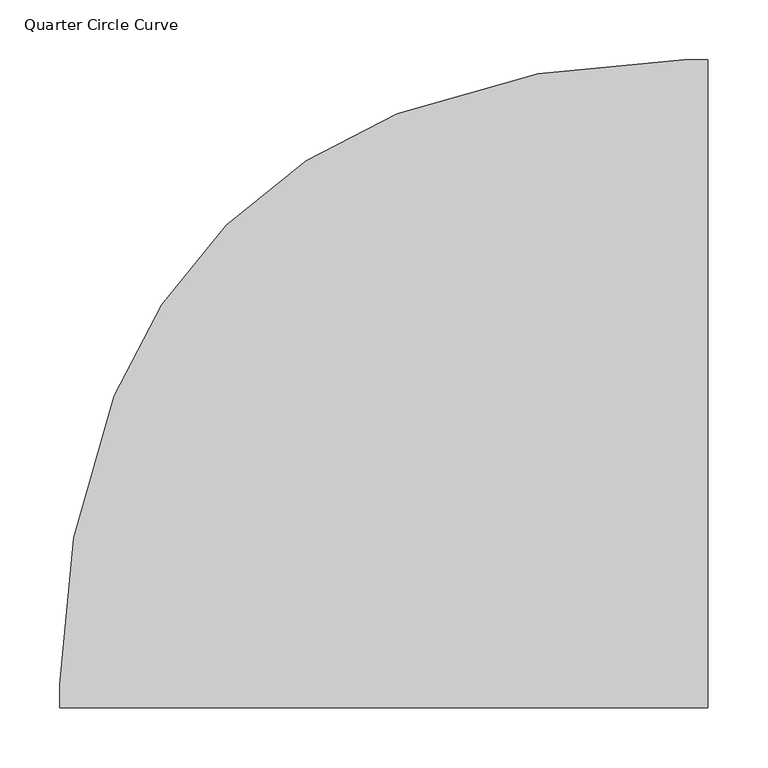
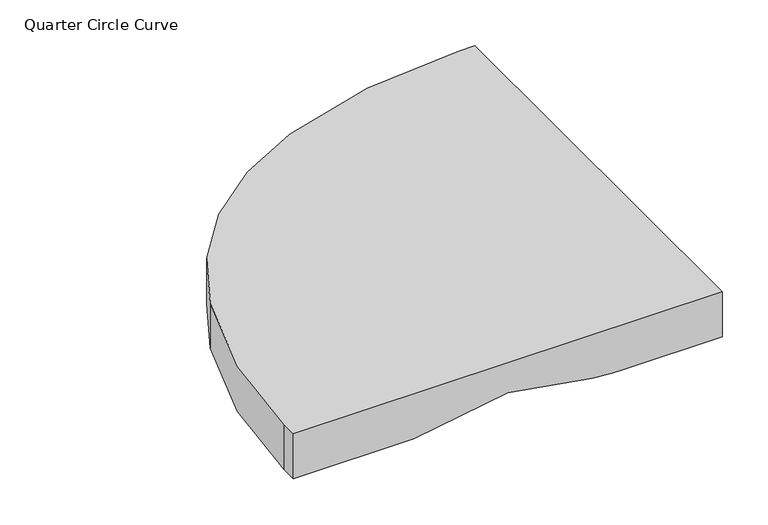
"""IFC4 building model written with IfcOpenShell, lengths in millimetres: furniture geometry, Quarter Circle Curve."""

from ifc_helpers import new_model, si_unit, point, frame, origin, place, context, project, spatial, polyline, circle_curve, ellipse_curve, trimmed, source, transform, mapped, element, save
from ifc_brep_helpers import plane_surface, cylinder_surface, revolved_surface, advanced_brep


def quarter_circle_curve_f693d01b(model_context):
    return source(origin(), model_context, "Body", "AdvancedBrep", [
        advanced_brep(
        [(270.0, 270.0, 2100.0), (250.1129966, 270.0, 2100.0), (250.1129966, 270.0, 2160.0), (270.0, 270.0, 2160.0), (270.0, -270.0, 2160.0), (-270.0, -270.0, 2160.0), (-270.0, -270.0, 2100.0), (-118.5203808, -270.0, 2100.0), (0.0, -270.0, 2120.0), (106.1283636, -270.0, 2102.09112), (131.0875949, -270.0, 2100.0), (145.0, -270.0, 2100.0), (270.0, -270.0, 2100.0), (11.197914, 225.2369203, 2160.0), (-224.6331882, -10.0009155, 2160.0), (-270.0, -250.4648146, 2160.0), (-270.0, -250.4648146, 2100.0), (131.0875949, -225.0, 2100.0), (225.0, -131.0875949, 2100.0), (270.0, -131.0875949, 2100.0), (270.0, -145.0, 2100.0), (270.0, 118.5203808, 2100.0), (225.0, 118.5203808, 2100.0), (-118.5203808, -225.0, 2100.0), (-224.6331882, -10.0009155, 2100.0), (11.197914, 225.2369203, 2100.0), (270.0, -106.1283636, 2102.09112), (270.0, 0.0, 2120.0), (0.0, -225.0, 2120.0), (106.1283636, -225.0, 2102.09112), (225.0, 0.0, 2120.0), (225.0, -106.1283636, 2102.09112)],
        [
            (0, 1),
            (1, 2),
            (2, 3),
            (3, 0),
            (4, 5),
            (5, 6),
            (6, 7),
            (7, 8),
            (8, 9),
            (9, 10, circle_curve(frame((131.0875949, -270.0, 2250.0), z_axis=(0.0, -1.0, 0.0), x_axis=(1.0, 0.0, 0.0)), 150.0)),
            (10, 11),
            (11, 12),
            (12, 4),
            (4, 3),
            (2, 13, circle_curve(frame((250.1129966, -389.9652032, 2160.0), z_axis=(0.0, 0.0, 1.0), x_axis=(1.0, 0.0, 0.0)), 659.9652032)),
            (13, 14, circle_curve(frame((161.1742529, -160.9495071, 2160.0), z_axis=(0.0, 0.0, 1.0), x_axis=(1.0, 0.0, 0.0)), 414.2859628)),
            (14, 15, circle_curve(frame((389.9652032, -250.4648146, 2160.0), z_axis=(0.0, 0.0, 1.0), x_axis=(1.0, 0.0, 0.0)), 659.9652032)),
            (15, 5),
            (15, 16),
            (16, 6),
            (10, 17),
            (17, 18, circle_curve(frame((225.0, -225.0, 2100.0), z_axis=(0.0, 0.0, -1.0), x_axis=(-1.0, 0.0, 0.0)), 93.9124051)),
            (18, 19),
            (19, 20),
            (20, 12),
            (0, 21),
            (21, 22),
            (22, 23, circle_curve(frame((225.0, -225.0, 2100.0), z_axis=(0.0, 0.0, 1.0), x_axis=(-1.0, 0.0, 0.0)), 343.5203808)),
            (23, 7),
            (16, 24, circle_curve(frame((389.9652032, -250.4648146, 2100.0), z_axis=(0.0, 0.0, -1.0), x_axis=(1.0, 0.0, 0.0)), 659.9652032)),
            (24, 25, circle_curve(frame((161.1742529, -160.9495071, 2100.0), z_axis=(0.0, 0.0, -1.0), x_axis=(1.0, 0.0, 0.0)), 414.2859628)),
            (25, 1, circle_curve(frame((250.1129966, -389.9652032, 2100.0), z_axis=(0.0, 0.0, -1.0), x_axis=(1.0, 0.0, 0.0)), 659.9652032)),
            (19, 26, circle_curve(frame((270.0, -131.0875949, 2250.0), z_axis=(1.0, 0.0, 0.0), x_axis=(0.0, -1.0, 0.0)), 150.0)),
            (26, 27),
            (27, 21),
            (25, 13),
            (24, 14),
            (8, 28),
            (28, 29),
            (29, 9),
            (29, 17, circle_curve(frame((131.0875949, -225.0, 2250.0), z_axis=(0.0, -1.0, 0.0), x_axis=(1.0, 0.0, 0.0)), 150.0)),
            (23, 28),
            (28, 30, circle_curve(frame((225.0, -225.0, 2120.0), z_axis=(0.0, 0.0, -1.0), x_axis=(-1.0, 0.0, 0.0)), 225.0)),
            (30, 31),
            (31, 29, circle_curve(frame((225.0, -225.0, 2102.09112), z_axis=(0.0, 0.0, 1.0), x_axis=(-1.0, 0.0, 0.0)), 118.8716364)),
            (31, 18, circle_curve(frame((225.0, -131.0875949, 2250.0), z_axis=(-1.0, 0.0, 0.0), x_axis=(0.0, -1.0, 0.0)), 150.0)),
            (22, 30),
            (30, 27),
            (26, 31),
        ],
        [
            plane_surface(frame((-270.0, 270.0, 2160.0), z_axis=(0.0, 1.0, 0.0), x_axis=(-1.0, 0.0, 0.0))),
            plane_surface(frame((-270.0, -270.0, 2160.0), z_axis=(0.0, -1.0, 0.0), x_axis=(1.0, 0.0, 0.0))),
            plane_surface(frame((270.0, 270.0, 2160.0), z_axis=(0.0, 0.0, 1.0), x_axis=(0.0, -1.0, 0.0))),
            plane_surface(frame((-270.0, 270.0, 2160.0), z_axis=(-1.0, 0.0, 0.0), x_axis=(0.0, -1.0, 0.0))),
            plane_surface(frame((-270.0, 270.0, 2100.0), z_axis=(0.0, 0.0, -1.0), x_axis=(0.0, -1.0, 0.0))),
            plane_surface(frame((270.0, 270.0, 2100.0), z_axis=(1.0, 0.0, 0.0), x_axis=(0.0, -1.0, 0.0))),
            cylinder_surface(frame((250.1129966, -389.9652032, 2100.0), z_axis=(0.0, 0.0, -1.0), x_axis=(1.0, 0.0, 0.0)), 659.9652032),
            cylinder_surface(frame((161.1742529, -160.9495071, 2100.0), z_axis=(0.0, 0.0, -1.0), x_axis=(1.0, 0.0, 0.0)), 414.2859628),
            cylinder_surface(frame((389.9652032, -250.4648146, 2100.0), z_axis=(0.0, 0.0, -1.0), x_axis=(1.0, 0.0, 0.0)), 659.9652032),
            plane_surface(frame((0.0, -270.0, 2120.0), z_axis=(-0.16639487545031093, 0.0, -0.9860591997562193), x_axis=(0.0, 1.0, 0.0))),
            cylinder_surface(frame((131.0875949, -270.0, 2250.0), z_axis=(0.0, 1.0, 0.0), x_axis=(1.0, 0.0, 0.0)), 150.0),
            plane_surface(frame((-120.0, -270.0, 2099.7503182), z_axis=(0.16639487545033715, 0.0, -0.9860591997562149), x_axis=(0.0, 1.0, 0.0))),
            revolved_surface(polyline([(106.1283636, -225.0, 2102.09112), (0.0, -225.0, 2120.0)]), (225.0, -225.0, 0.0), (0.0, 0.0, 1.0)),
            revolved_surface(trimmed(ellipse_curve(frame((131.0875949, -225.0, 2250.0), z_axis=(0.0, 1.0, 0.0), x_axis=(1.0, 0.0, 0.0)), 150.0, 150.0), [point((131.0875949, -225.0, 2100.0))], [point((106.1283636, -225.0, 2102.09112))], True, "CARTESIAN"), (225.0, -225.0, 0.0), (0.0, 0.0, 1.0)),
            revolved_surface(polyline([(0.0, -225.0, 2120.0), (-120.0, -225.0, 2099.7503182)]), (225.0, -225.0, 0.0), (0.0, 0.0, 1.0)),
            plane_surface(frame((225.0, 0.0, 2120.0), z_axis=(0.0, 0.16639487545031093, -0.9860591997562193), x_axis=(1.0, 0.0, 0.0))),
            cylinder_surface(frame((225.0, -131.0875949, 2250.0), z_axis=(1.0, 0.0, 0.0), x_axis=(0.0, -1.0, 0.0)), 150.0),
            plane_surface(frame((225.0, 120.0, 2099.7503182), z_axis=(0.0, -0.16639487545033715, -0.9860591997562149), x_axis=(1.0, 0.0, 0.0))),
        ],
        [
            (0, [[1, 2, 3, 4]]),
            (1, [[5, 6, 7, 8, 9, 10, 11, 12, 13]]),
            (2, [[14, -3, 15, 16, 17, 18, -5]]),
            (3, [[-18, 19, 20, -6]]),
            (4, [[-11, 21, 22, 23, 24, 25, -12]]),
            (4, [[26, 27, 28, 29, -7, -20, 30, 31, 32, -1]]),
            (5, [[-14, -13, -25, -24, 33, 34, 35, -26, -4]]),
            (6, [[-15, -2, -32, 36]]),
            (7, [[-31, 37, -16, -36]]),
            (8, [[-30, -19, -17, -37]]),
            (9, [[-9, 38, 39, 40]]),
            (10, [[41, -21, -10, -40]]),
            (11, [[-8, -29, 42, -38]]),
            (12, [[43, 44, 45, -39]]),
            (13, [[-45, 46, -22, -41]]),
            (14, [[-42, -28, 47, -43]]),
            (15, [[48, -34, 49, -44]]),
            (16, [[-49, -33, -23, -46]]),
            (17, [[-47, -27, -35, -48]]),
        ],
    ),
    ])


if __name__ == "__main__":
    model = new_model("IFC4")
    model_context = context("Model", 3, world=origin())
    ifc_project = project(units=[si_unit("LENGTHUNIT", "METRE", prefix="MILLI")], contexts=[model_context])
    site = spatial("IfcSite", under=ifc_project)
    building = spatial("IfcBuilding", under=site)
    placement = place(None, origin())
    quarter_circle_curve_shape = quarter_circle_curve_f693d01b(model_context)
    element("IfcFurniture", 1, ObjectType="Quarter Circle Curve", at=placement, inside=building, context=model_context, shape_type="MappedRepresentation", body=[
        mapped(quarter_circle_curve_shape, transform((0.0, 0.0, 0.0), x_axis=(1.0, 0.0, 0.0), y_axis=(0.0, 1.0, 0.0), z_axis=(0.0, 0.0, 1.0))),
    ])
    save(model, "model.ifc")
